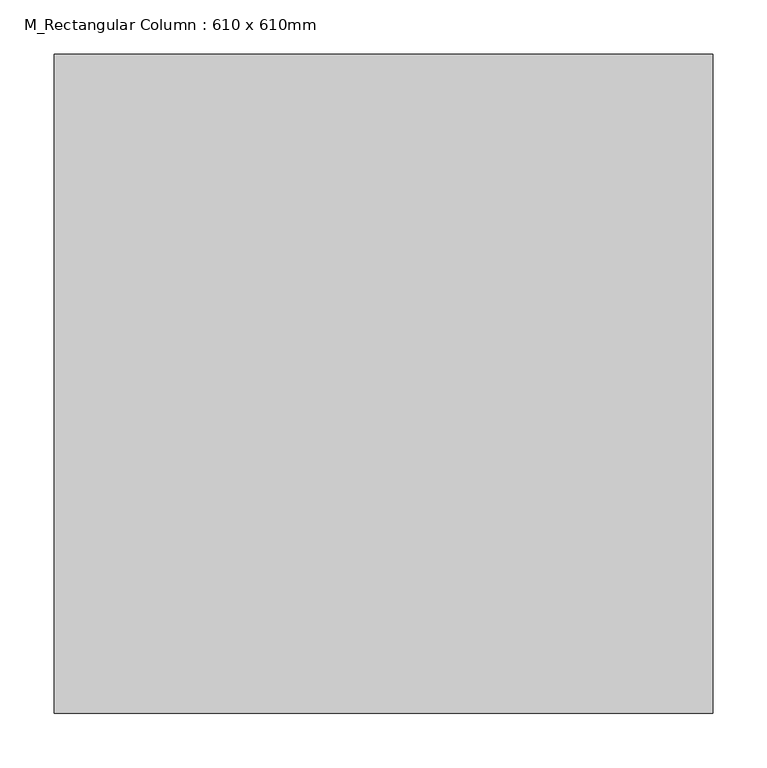
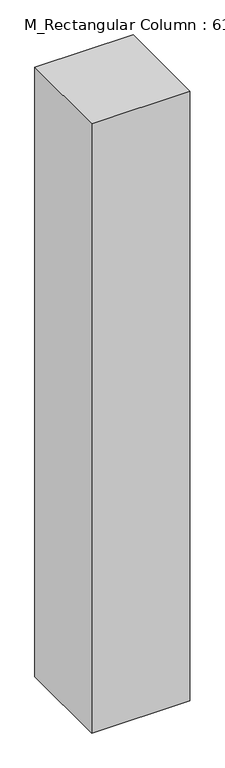
"""IFC4 building model written with IfcOpenShell, lengths in millimetres: column geometry, M_Rectangular Column : 610 x 610mm."""

import ifcopenshell
import ifcopenshell.guid

model = None  # the IFC model being written
_history = None  # IfcOwnerHistory: only IFC2X3 demands one
_inside = {}  # id of a spatial element -> (the spatial element, [elements in it])
_under = {}  # id of a project, library or spatial element -> (it, [spatial elements below it])
_declared = {}  # id of a project -> (the project, [libraries it declares])
_typed = {}  # id of a type object -> (the type object, [elements of that type])
_made_of = {}  # id of a material, layer set ... -> (it, [elements and type objects made of it])


def new_model(schema):
    """Start an empty IFC model of exactly this schema.

    Asked for "IFC4X3", IfcOpenShell would pick the latest addendum, in which some entities
    have other attributes; the version numbers below select the first issue.
    IFC2X3 requires an IfcOwnerHistory on every rooted entity: one is made here for all.
    """
    global model, _history
    if schema == "IFC4X3":
        model = ifcopenshell.file(schema_version=(4, 3, 0, 0))
    else:
        model = ifcopenshell.file(schema=schema)
    _inside.clear()
    _under.clear()
    _declared.clear()
    _typed.clear()
    _made_of.clear()
    _history = None
    if model.schema == "IFC2X3":
        org = make("IfcOrganization", Name="unknown")
        user = make(
            "IfcPersonAndOrganization",
            ThePerson=make("IfcPerson", FamilyName="unknown"),
            TheOrganization=org,
        )
        app = make(
            "IfcApplication",
            ApplicationDeveloper=org,
            Version="unknown",
            ApplicationFullName="unknown",
            ApplicationIdentifier="unknown",
        )
        _history = make(
            "IfcOwnerHistory",
            OwningUser=user,
            OwningApplication=app,
            ChangeAction="ADDED",
            CreationDate=0,
        )
    return model


def make(cls, **values):
    """One entity of the class cls with the attributes given. An attribute that is None is left unset."""
    return model.create_entity(
        cls, **{name: value for name, value in values.items() if value is not None}
    )


def rooted(cls, **values):
    """An entity with a GlobalId (a new one), such as an element, a storey or a relation."""
    return make(cls, GlobalId=ifcopenshell.guid.new(), OwnerHistory=_history, **values)


def si_unit(unit_type, name, prefix=None):
    """IfcSIUnit, for example si_unit("LENGTHUNIT", "METRE", prefix="MILLI")."""
    return make("IfcSIUnit", UnitType=unit_type, Prefix=prefix, Name=name)


def assignment(units):
    """IfcUnitAssignment: the units of a project."""
    return None if units is None else make("IfcUnitAssignment", Units=units)


def point(xyz):
    """IfcCartesianPoint."""
    return None if xyz is None else make("IfcCartesianPoint", Coordinates=xyz)


def direction(xyz):
    """IfcDirection."""
    return None if xyz is None else make("IfcDirection", DirectionRatios=xyz)


def frame(location, z_axis=None, x_axis=None):
    """IfcAxis2Placement3D, a coordinate frame: its origin and axes. An axis left out is left unset."""
    return make(
        "IfcAxis2Placement3D",
        Location=point(location),
        Axis=direction(z_axis),
        RefDirection=direction(x_axis),
    )


def origin():
    """The frame at (0, 0, 0) with its axes left unset."""
    return frame((0.0, 0.0, 0.0))


def place(relative_to, where):
    """IfcLocalPlacement: puts the frame where relative to a parent placement (None: the world)."""
    return make(
        "IfcLocalPlacement", PlacementRelTo=relative_to, RelativePlacement=where
    )


def context(
    kind, dimensions, precision=None, world=None, true_north=None, identifier=None
):
    """IfcGeometricRepresentationContext, for example the 3D "Model" context."""
    return make(
        "IfcGeometricRepresentationContext",
        ContextIdentifier=identifier,
        ContextType=kind,
        CoordinateSpaceDimension=dimensions,
        Precision=precision,
        WorldCoordinateSystem=world,
        TrueNorth=true_north,
    )


def project(units=None, contexts=None):
    """IfcProject with its units and contexts."""
    return rooted(
        "IfcProject",
        Name="project",
        RepresentationContexts=contexts,
        UnitsInContext=assignment(units),
    )


def spatial(cls, under=None, at=None, **own):
    """A site, building, storey or space (cls), placed at a placement, below another one or the project."""
    s = rooted(cls, ObjectPlacement=at, **own)
    if under is not None:
        _under.setdefault(under.id(), (under, []))[1].append(s)
    return s


def polyline(points):
    """IfcPolyline through the points."""
    return make("IfcPolyline", Points=[point(p) for p in points])


def outline(outer, holes=None, kind="AREA"):
    """IfcArbitraryClosedProfileDef: a profile drawn as a closed curve; with holes, ...WithVoids."""
    if holes is None:
        return make("IfcArbitraryClosedProfileDef", ProfileType=kind, OuterCurve=outer)
    return make(
        "IfcArbitraryProfileDefWithVoids",
        ProfileType=kind,
        OuterCurve=outer,
        InnerCurves=holes,
    )


def extrude(swept, where, along, depth):
    """IfcExtrudedAreaSolid: the profile swept, set in the frame where, extruded along a direction by depth."""
    return make(
        "IfcExtrudedAreaSolid",
        SweptArea=swept,
        Position=where,
        ExtrudedDirection=direction(along),
        Depth=depth,
    )


def shape(context_of_items, identifier, shape_type, items):
    """IfcShapeRepresentation: the items that make up one representation, for example the "Body"."""
    return make(
        "IfcShapeRepresentation",
        ContextOfItems=context_of_items,
        RepresentationIdentifier=identifier,
        RepresentationType=shape_type,
        Items=items,
    )


def source(mapping_origin, context_of_items, identifier, shape_type, items):
    """IfcRepresentationMap: a shape defined once, which mapped items show again and again."""
    return make(
        "IfcRepresentationMap",
        MappingOrigin=mapping_origin,
        MappedRepresentation=shape(context_of_items, identifier, shape_type, items),
    )


def transform(
    local_origin,
    x_axis=None,
    y_axis=None,
    z_axis=None,
    scale=None,
    scale2=None,
    scale3=None,
    uniform=True,
):
    """IfcCartesianTransformationOperator3D, or its non-uniform kind. x_axis, y_axis, z_axis: its Axis1, 2, 3."""
    if uniform:
        return make(
            "IfcCartesianTransformationOperator3D",
            Axis1=direction(x_axis),
            Axis2=direction(y_axis),
            LocalOrigin=point(local_origin),
            Scale=scale,
            Axis3=direction(z_axis),
        )
    return make(
        "IfcCartesianTransformationOperator3DnonUniform",
        Axis1=direction(x_axis),
        Axis2=direction(y_axis),
        LocalOrigin=point(local_origin),
        Scale=scale,
        Axis3=direction(z_axis),
        Scale2=scale2,
        Scale3=scale3,
    )


def mapped(mapping_source, mapping_target):
    """IfcMappedItem: shows the shape of a source again, moved by a transform."""
    return make(
        "IfcMappedItem", MappingSource=mapping_source, MappingTarget=mapping_target
    )


def made_of(thing, what):
    """Note that an element or type object is made of a material, layer set ...; save() writes the relation."""
    if what is not None:
        _made_of.setdefault(what.id(), (what, []))[1].append(thing)
    return thing


def element(
    cls,
    number,
    at=None,
    inside=None,
    cuts=None,
    type_object=None,
    material=None,
    context=None,
    identifier="Body",
    shape_type=None,
    held_by="IfcProductDefinitionShape",
    body=None,
    shapes=None,
    **own,
):
    """One element of the class cls, such as IfcWall. Its Tag is "e" and its number.

    at: its placement. inside: the storey or other place that contains it. cuts: it is an
    opening in that element (IfcRelVoidsElement). A single representation is given by context,
    identifier, shape_type and body (its items); several are given by shapes. held_by: the class
    of the entity that holds the representations. save() writes the other relations.
    """
    e = rooted(cls, Tag="e%d" % number, ObjectPlacement=at, **own)
    if body is not None:
        shapes = [shape(context, identifier, shape_type, body)]
    if shapes is not None:
        e.Representation = make(held_by, Representations=shapes)
    if inside is not None:
        _inside.setdefault(inside.id(), (inside, []))[1].append(e)
    if cuts is not None:
        rooted(
            "IfcRelVoidsElement", RelatingBuildingElement=cuts, RelatedOpeningElement=e
        )
    if type_object is not None:
        _typed.setdefault(type_object.id(), (type_object, []))[1].append(e)
    return made_of(e, material)


def aggregate(whole, parts):
    """IfcRelAggregates: a whole, such as a stair, and the parts it consists of."""
    return rooted("IfcRelAggregates", RelatingObject=whole, RelatedObjects=parts)


def save(model, path):
    """Write the relations noted so far, then the file.

    IfcRelAggregates (storeys below a building ...), IfcRelContainedInSpatialStructure (elements
    in a storey), IfcRelDefinesByType, IfcRelAssociatesMaterial and IfcRelDeclares: one each for
    every whole, place, type object, material and project.
    """
    for whole, parts in _under.values():
        aggregate(whole, parts)
    for where, things in _inside.values():
        rooted(
            "IfcRelContainedInSpatialStructure",
            RelatedElements=things,
            RelatingStructure=where,
        )
    for kind, things in _typed.values():
        rooted("IfcRelDefinesByType", RelatedObjects=things, RelatingType=kind)
    for what, things in _made_of.values():
        rooted("IfcRelAssociatesMaterial", RelatedObjects=things, RelatingMaterial=what)
    for by, libraries in _declared.values():
        rooted("IfcRelDeclares", RelatingContext=by, RelatedDefinitions=libraries)
    model.write(path)


def m_rectangular_column_610_x_610mm_f8bd228f(model_context):
    return source(origin(), model_context, "Body", "SweptSolid", [
        extrude(outline(polyline([(305.0, 305.0), (305.0, -305.0), (-305.0, -305.0), (-305.0, 305.0), (305.0, 305.0)])), frame((0.0, 0.0, 14000.0), z_axis=(0.0, 0.0, 1.0), x_axis=(1.0, 0.0, 0.0)), (0.0, 0.0, 1.0), 4000.0),
    ])


if __name__ == "__main__":
    model = new_model("IFC4")
    model_context = context("Model", 3, world=origin())
    ifc_project = project(units=[si_unit("LENGTHUNIT", "METRE", prefix="MILLI")], contexts=[model_context])
    site = spatial("IfcSite", under=ifc_project)
    building = spatial("IfcBuilding", under=site)
    placement = place(None, origin())
    m_rectangular_column_610_x_610mm_shape = m_rectangular_column_610_x_610mm_f8bd228f(model_context)
    element("IfcColumn", 1, ObjectType="M_Rectangular Column : 610 x 610mm", at=placement, inside=building, context=model_context, shape_type="MappedRepresentation", body=[
        mapped(m_rectangular_column_610_x_610mm_shape, transform((0.0, 0.0, 0.0), x_axis=(1.0, 0.0, 0.0), y_axis=(0.0, 1.0, 0.0), z_axis=(0.0, 0.0, 1.0))),
    ])
    save(model, "model.ifc")
